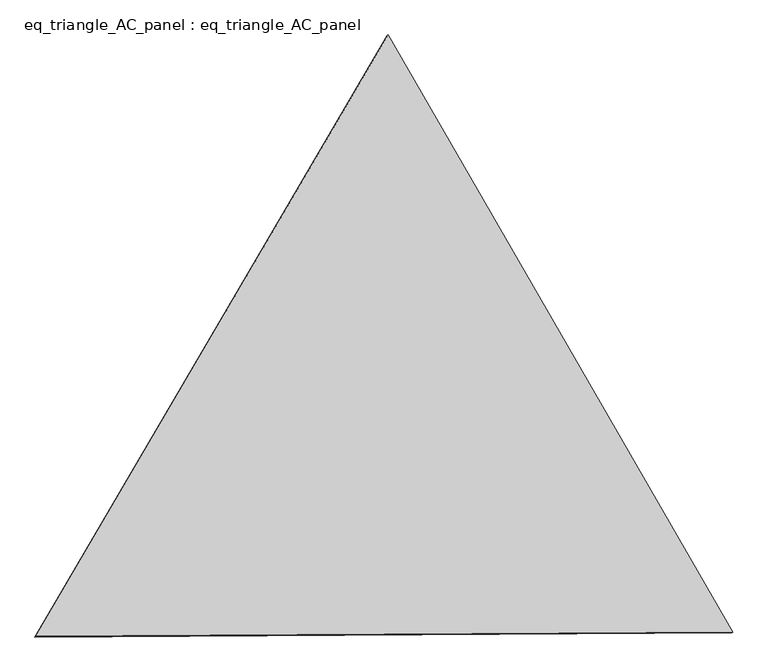
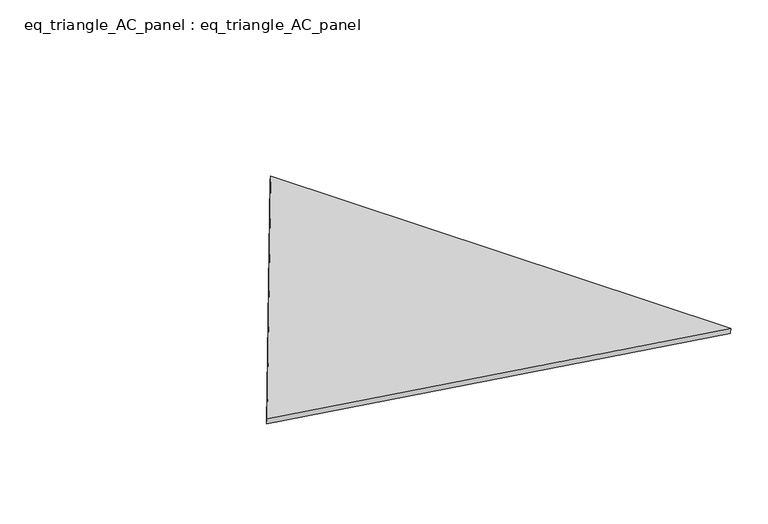
"""IFC4 building model written with IfcOpenShell, lengths in millimetres: proxy geometry, eq_triangle_AC_panel : eq_triangle_AC_panel."""

from ifc_helpers import new_model, si_unit, frame, origin, place, context, project, spatial, polyline, outline, extrude, source, transform, mapped, element, save


def eq_triangle_ac_panel_eq_triangle_ac_panel_ed38f6cb(model_context):
    return source(origin(), model_context, "Body", "SweptSolid", [
        extrude(outline(polyline([(-2017.7469997, 1198.9299252), (2017.762364, 1198.9299252), (-0.0153644, -2397.8598504), (-2017.7469997, 1198.9299252)])), frame((-6.3631761, 524.2531996, 46.6143561), z_axis=(0.14526328518134504, 0.0838657028184626, 0.9858321976224396), x_axis=(0.5000082402054309, -0.866020646240439, -3.4584361705948085e-06)), (0.0, 0.0, 1.0), 43.8306294),
    ])


if __name__ == "__main__":
    model = new_model("IFC4")
    model_context = context("Model", 3, world=origin())
    ifc_project = project(units=[si_unit("LENGTHUNIT", "METRE", prefix="MILLI")], contexts=[model_context])
    site = spatial("IfcSite", under=ifc_project)
    building = spatial("IfcBuilding", under=site)
    placement = place(None, origin())
    eq_triangle_ac_panel_eq_triangle_ac_panel_shape = eq_triangle_ac_panel_eq_triangle_ac_panel_ed38f6cb(model_context)
    element("IfcBuildingElementProxy", 1, Name="eq_triangle_AC_panel : eq_triangle_AC_panel", ObjectType="eq_triangle_AC_panel : eq_triangle_AC_panel", at=placement, inside=building, context=model_context, shape_type="MappedRepresentation", body=[
        mapped(eq_triangle_ac_panel_eq_triangle_ac_panel_shape, transform((0.0, 0.0, 0.0), x_axis=(1.0, 0.0, 0.0), y_axis=(0.0, 1.0, 0.0), z_axis=(0.0, 0.0, 1.0))),
    ])
    save(model, "model.ifc")
